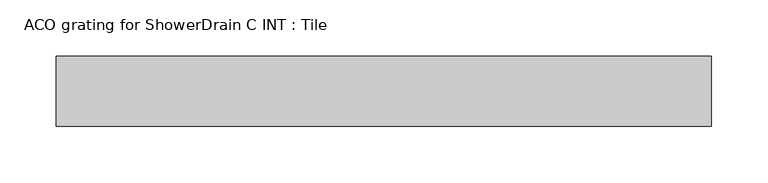
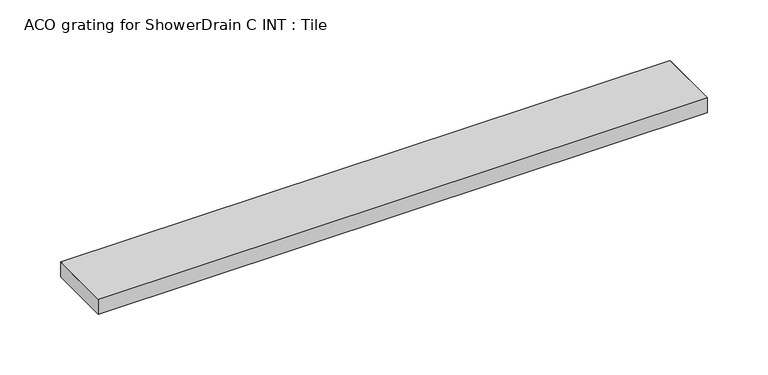
"""IFC4 building model written with IfcOpenShell, lengths in millimetres: sanitary terminal geometry, ACO grating for ShowerDrain C INT : Tile."""

from ifc_helpers import new_model, si_unit, point, frame, frame_2d, origin, place, context, project, spatial, polyline, circle_curve, trimmed, segment, composite_curve, outline, extrude, source, transform, mapped, element, save


def aco_grating_for_showerdrain_c_int_tile_67cb4d68(model_context):
    return source(origin(), model_context, "Body", "SweptSolid", [
        extrude(outline(polyline([(290.5, 31.0), (290.5, -31.0), (-290.5, -31.0), (-290.5, 31.0), (290.5, 31.0)])), frame((0.0, 0.0, -15.0), z_axis=(0.0, 0.0, 1.0), x_axis=(1.0, 0.0, 0.0)), (0.0, 0.0, 1.0), 15.0),
        extrude(outline(composite_curve([segment(polyline([(31.0, -15.0), (-31.0, -15.0), (-31.0, -1.977849)]), True, "CONTINUOUS"), segment(trimmed(circle_curve(frame_2d((-29.022151, -1.977849)), 1.977849), [point((-31.0, -1.977849))], [point((-29.022151, 0.0))], False, "CARTESIAN"), True, "CONTINUOUS"), segment(polyline([(-29.022151, 0.0), (29.022151, 0.0)]), True, "CONTINUOUS"), segment(trimmed(circle_curve(frame_2d((29.022151, -1.977849)), 1.977849), [point((29.022151, 0.0))], [point((31.0, -1.977849))], False, "CARTESIAN"), True, "CONTINUOUS"), segment(polyline([(31.0, -1.977849), (31.0, -15.0)]), True, "CONTINUOUS")], self_intersect=False)), frame((-290.5, 0.0, 0.0), z_axis=(1.0, 0.0, 0.0), x_axis=(0.0, 1.0, 0.0)), (0.0, 0.0, 1.0), 581.0),
    ])


if __name__ == "__main__":
    model = new_model("IFC4")
    model_context = context("Model", 3, world=origin())
    ifc_project = project(units=[si_unit("LENGTHUNIT", "METRE", prefix="MILLI")], contexts=[model_context])
    site = spatial("IfcSite", under=ifc_project)
    building = spatial("IfcBuilding", under=site)
    placement = place(None, origin())
    aco_grating_for_showerdrain_c_int_tile_shape = aco_grating_for_showerdrain_c_int_tile_67cb4d68(model_context)
    element("IfcSanitaryTerminal", 1, ObjectType="ACO grating for ShowerDrain C INT : Tile", at=placement, inside=building, context=model_context, shape_type="MappedRepresentation", body=[
        mapped(aco_grating_for_showerdrain_c_int_tile_shape, transform((0.0, 0.0, 0.0), x_axis=(1.0, 0.0, 0.0), y_axis=(0.0, 1.0, 0.0), z_axis=(0.0, 0.0, 1.0))),
    ])
    save(model, "model.ifc")
